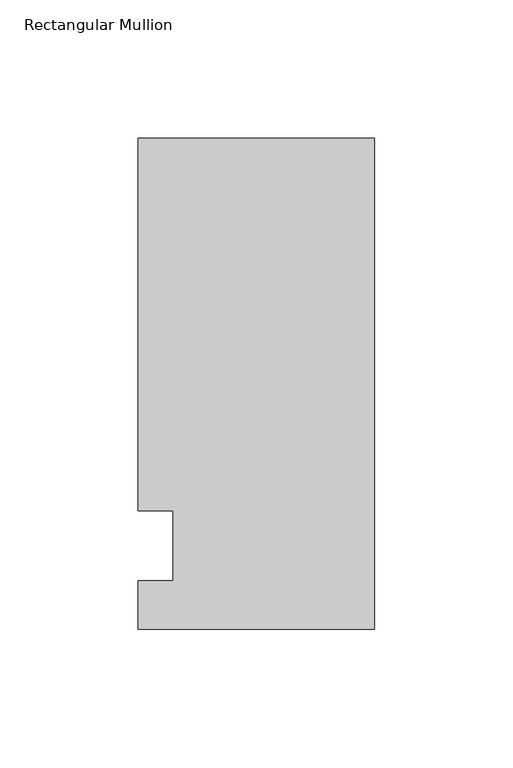
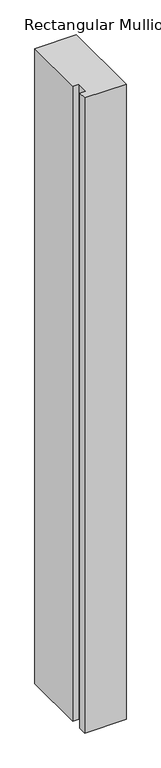
"""IFC4 building model written with IfcOpenShell, lengths in millimetres: member geometry, Rectangular Mullion."""

from ifc_helpers import new_model, si_unit, frame, origin, place, context, project, spatial, polyline, outline, extrude, source, transform, mapped, element, save


def rectangular_mullion_a2da4983(model_context):
    return source(origin(), model_context, "Body", "SweptSolid", [
        extrude(outline(polyline([(-85.725, 147.6375), (0.0, 147.6375), (0.0, -30.1625), (-85.725, -30.1625), (-85.725, -12.7), (-73.0232296, -12.7), (-73.0232296, 12.7), (-85.725, 12.7), (-85.725, 147.6375)])), frame((0.0, 0.0, -1387.5760693), z_axis=(0.0, 0.0, 1.0), x_axis=(1.0, 0.0, 0.0)), (0.0, 0.0, 1.0), 1387.5760693),
    ])


if __name__ == "__main__":
    model = new_model("IFC4")
    model_context = context("Model", 3, world=origin())
    ifc_project = project(units=[si_unit("LENGTHUNIT", "METRE", prefix="MILLI")], contexts=[model_context])
    site = spatial("IfcSite", under=ifc_project)
    building = spatial("IfcBuilding", under=site)
    placement = place(None, origin())
    rectangular_mullion_shape = rectangular_mullion_a2da4983(model_context)
    element("IfcMember", 1, ObjectType="Rectangular Mullion", at=placement, inside=building, context=model_context, shape_type="MappedRepresentation", body=[
        mapped(rectangular_mullion_shape, transform((0.0, 0.0, 0.0), x_axis=(1.0, 0.0, 0.0), y_axis=(0.0, 1.0, 0.0), z_axis=(0.0, 0.0, 1.0))),
    ])
    save(model, "model.ifc")
